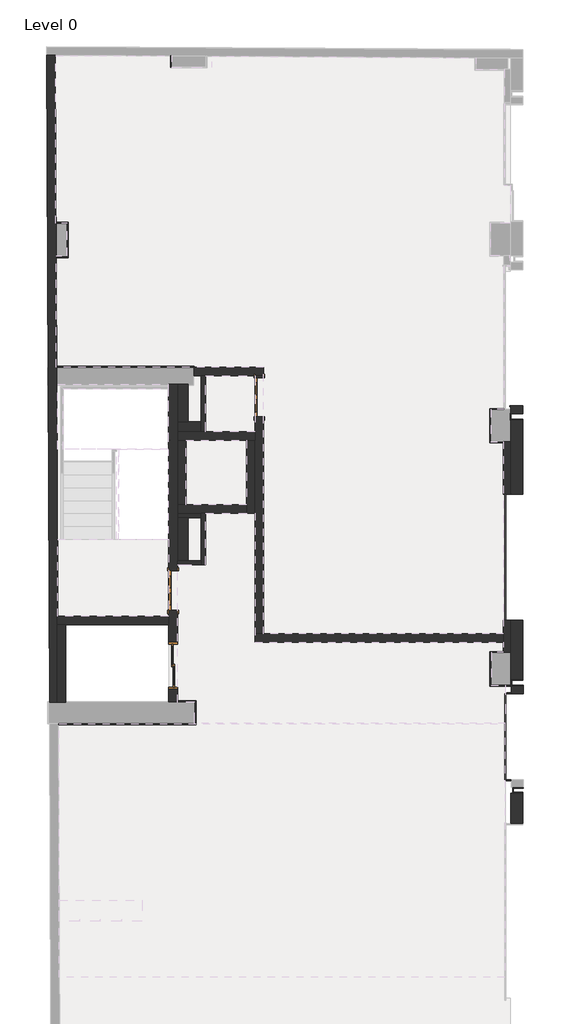
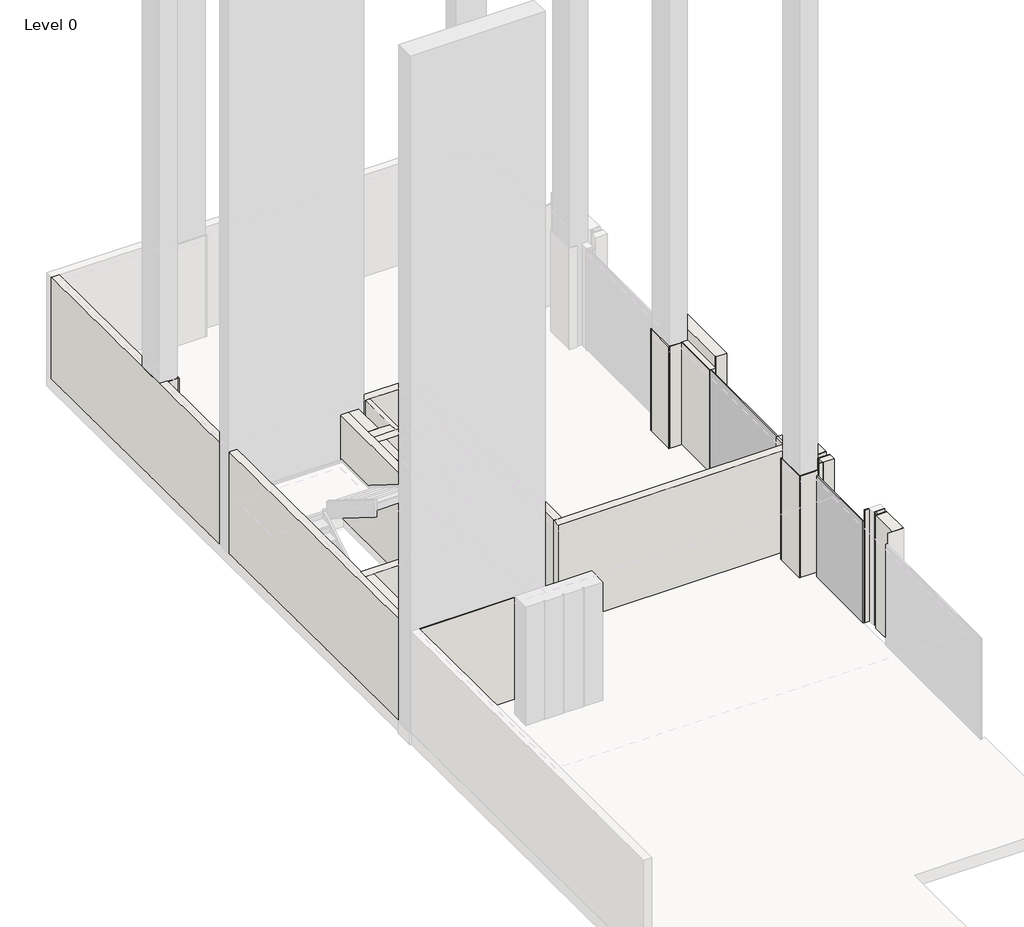
# One storey, part 2 of 3: 53 walls, 3 doors, 2 plates.
"""IFC4 building model written with IfcOpenShell, lengths in millimetres."""

import ifcopenshell
import ifcopenshell.guid

model = None  # the IFC model being written
_history = None  # IfcOwnerHistory: only IFC2X3 demands one
_inside = {}  # id of a spatial element -> (the spatial element, [elements in it])
_under = {}  # id of a project, library or spatial element -> (it, [spatial elements below it])
_declared = {}  # id of a project -> (the project, [libraries it declares])
_typed = {}  # id of a type object -> (the type object, [elements of that type])
_made_of = {}  # id of a material, layer set ... -> (it, [elements and type objects made of it])


def new_model(schema):
    """Start an empty IFC model of exactly this schema.

    Asked for "IFC4X3", IfcOpenShell would pick the latest addendum, in which some entities
    have other attributes; the version numbers below select the first issue.
    IFC2X3 requires an IfcOwnerHistory on every rooted entity: one is made here for all.
    """
    global model, _history
    if schema == "IFC4X3":
        model = ifcopenshell.file(schema_version=(4, 3, 0, 0))
    else:
        model = ifcopenshell.file(schema=schema)
    _inside.clear()
    _under.clear()
    _declared.clear()
    _typed.clear()
    _made_of.clear()
    _history = None
    if model.schema == "IFC2X3":
        org = make("IfcOrganization", Name="unknown")
        user = make(
            "IfcPersonAndOrganization",
            ThePerson=make("IfcPerson", FamilyName="unknown"),
            TheOrganization=org,
        )
        app = make(
            "IfcApplication",
            ApplicationDeveloper=org,
            Version="unknown",
            ApplicationFullName="unknown",
            ApplicationIdentifier="unknown",
        )
        _history = make(
            "IfcOwnerHistory",
            OwningUser=user,
            OwningApplication=app,
            ChangeAction="ADDED",
            CreationDate=0,
        )
    return model


def make(cls, **values):
    """One entity of the class cls with the attributes given. An attribute that is None is left unset."""
    return model.create_entity(
        cls, **{name: value for name, value in values.items() if value is not None}
    )


def rooted(cls, **values):
    """An entity with a GlobalId (a new one), such as an element, a storey or a relation."""
    return make(cls, GlobalId=ifcopenshell.guid.new(), OwnerHistory=_history, **values)


def si_unit(unit_type, name, prefix=None):
    """IfcSIUnit, for example si_unit("LENGTHUNIT", "METRE", prefix="MILLI")."""
    return make("IfcSIUnit", UnitType=unit_type, Prefix=prefix, Name=name)


def assignment(units):
    """IfcUnitAssignment: the units of a project."""
    return None if units is None else make("IfcUnitAssignment", Units=units)


def point(xyz):
    """IfcCartesianPoint."""
    return None if xyz is None else make("IfcCartesianPoint", Coordinates=xyz)


def direction(xyz):
    """IfcDirection."""
    return None if xyz is None else make("IfcDirection", DirectionRatios=xyz)


def frame(location, z_axis=None, x_axis=None):
    """IfcAxis2Placement3D, a coordinate frame: its origin and axes. An axis left out is left unset."""
    return make(
        "IfcAxis2Placement3D",
        Location=point(location),
        Axis=direction(z_axis),
        RefDirection=direction(x_axis),
    )


def origin():
    """The frame at (0, 0, 0) with its axes left unset."""
    return frame((0.0, 0.0, 0.0))


def origin_with_axes():
    """The frame at (0, 0, 0) with the z axis (0, 0, 1) and the x axis (1, 0, 0) written out."""
    return frame((0.0, 0.0, 0.0), z_axis=(0.0, 0.0, 1.0), x_axis=(1.0, 0.0, 0.0))


def place(relative_to, where):
    """IfcLocalPlacement: puts the frame where relative to a parent placement (None: the world)."""
    return make(
        "IfcLocalPlacement", PlacementRelTo=relative_to, RelativePlacement=where
    )


def context(
    kind, dimensions, precision=None, world=None, true_north=None, identifier=None
):
    """IfcGeometricRepresentationContext, for example the 3D "Model" context."""
    return make(
        "IfcGeometricRepresentationContext",
        ContextIdentifier=identifier,
        ContextType=kind,
        CoordinateSpaceDimension=dimensions,
        Precision=precision,
        WorldCoordinateSystem=world,
        TrueNorth=true_north,
    )


def project(units=None, contexts=None):
    """IfcProject with its units and contexts."""
    return rooted(
        "IfcProject",
        Name="project",
        RepresentationContexts=contexts,
        UnitsInContext=assignment(units),
    )


def spatial(cls, under=None, at=None, **own):
    """A site, building, storey or space (cls), placed at a placement, below another one or the project."""
    s = rooted(cls, ObjectPlacement=at, **own)
    if under is not None:
        _under.setdefault(under.id(), (under, []))[1].append(s)
    return s


def polyline(points):
    """IfcPolyline through the points."""
    return make("IfcPolyline", Points=[point(p) for p in points])


def outline(outer, holes=None, kind="AREA"):
    """IfcArbitraryClosedProfileDef: a profile drawn as a closed curve; with holes, ...WithVoids."""
    if holes is None:
        return make("IfcArbitraryClosedProfileDef", ProfileType=kind, OuterCurve=outer)
    return make(
        "IfcArbitraryProfileDefWithVoids",
        ProfileType=kind,
        OuterCurve=outer,
        InnerCurves=holes,
    )


def extrude(swept, where, along, depth):
    """IfcExtrudedAreaSolid: the profile swept, set in the frame where, extruded along a direction by depth."""
    return make(
        "IfcExtrudedAreaSolid",
        SweptArea=swept,
        Position=where,
        ExtrudedDirection=direction(along),
        Depth=depth,
    )


def faces_of(points, faces, orient=None, outer=None):
    """IfcFace entities. A face is a list of loops; a loop is a list of indices into points, from 0.

    orient and outer hold one flag for each loop. By default every Orientation is true, the
    first loop of a face is its IfcFaceOuterBound and the others are IfcFaceBound.
    """
    made = []
    for i, loops in enumerate(faces):
        bounds = []
        for j, loop in enumerate(loops):
            is_outer = j == 0 if outer is None else outer[i][j]
            bounds.append(
                make(
                    "IfcFaceOuterBound" if is_outer else "IfcFaceBound",
                    Bound=make("IfcPolyLoop", Polygon=[points[k] for k in loop]),
                    Orientation=True if orient is None else orient[i][j],
                )
            )
        made.append(make("IfcFace", Bounds=bounds))
    return made


def faceted_brep(points, faces, orient=None, outer=None, voids=None):
    """IfcFacetedBrep: a solid bounded by flat faces; with voids (closed shells), ...WithVoids."""
    shared = [point(p) for p in points]
    hull = make("IfcClosedShell", CfsFaces=faces_of(shared, faces, orient, outer))
    if voids is None:
        return make("IfcFacetedBrep", Outer=hull)
    return make(
        "IfcFacetedBrepWithVoids",
        Outer=hull,
        Voids=[
            make(cls, CfsFaces=faces_of(shared, fs, o, b)) for cls, fs, o, b in voids
        ],
    )


def shape(context_of_items, identifier, shape_type, items):
    """IfcShapeRepresentation: the items that make up one representation, for example the "Body"."""
    return make(
        "IfcShapeRepresentation",
        ContextOfItems=context_of_items,
        RepresentationIdentifier=identifier,
        RepresentationType=shape_type,
        Items=items,
    )


def source(mapping_origin, context_of_items, identifier, shape_type, items):
    """IfcRepresentationMap: a shape defined once, which mapped items show again and again."""
    return make(
        "IfcRepresentationMap",
        MappingOrigin=mapping_origin,
        MappedRepresentation=shape(context_of_items, identifier, shape_type, items),
    )


def transform(
    local_origin,
    x_axis=None,
    y_axis=None,
    z_axis=None,
    scale=None,
    scale2=None,
    scale3=None,
    uniform=True,
):
    """IfcCartesianTransformationOperator3D, or its non-uniform kind. x_axis, y_axis, z_axis: its Axis1, 2, 3."""
    if uniform:
        return make(
            "IfcCartesianTransformationOperator3D",
            Axis1=direction(x_axis),
            Axis2=direction(y_axis),
            LocalOrigin=point(local_origin),
            Scale=scale,
            Axis3=direction(z_axis),
        )
    return make(
        "IfcCartesianTransformationOperator3DnonUniform",
        Axis1=direction(x_axis),
        Axis2=direction(y_axis),
        LocalOrigin=point(local_origin),
        Scale=scale,
        Axis3=direction(z_axis),
        Scale2=scale2,
        Scale3=scale3,
    )


def mapped(mapping_source, mapping_target):
    """IfcMappedItem: shows the shape of a source again, moved by a transform."""
    return make(
        "IfcMappedItem", MappingSource=mapping_source, MappingTarget=mapping_target
    )


def made_of(thing, what):
    """Note that an element or type object is made of a material, layer set ...; save() writes the relation."""
    if what is not None:
        _made_of.setdefault(what.id(), (what, []))[1].append(thing)
    return thing


def element(
    cls,
    number,
    at=None,
    inside=None,
    cuts=None,
    type_object=None,
    material=None,
    context=None,
    identifier="Body",
    shape_type=None,
    held_by="IfcProductDefinitionShape",
    body=None,
    shapes=None,
    **own,
):
    """One element of the class cls, such as IfcWall. Its Tag is "e" and its number.

    at: its placement. inside: the storey or other place that contains it. cuts: it is an
    opening in that element (IfcRelVoidsElement). A single representation is given by context,
    identifier, shape_type and body (its items); several are given by shapes. held_by: the class
    of the entity that holds the representations. save() writes the other relations.
    """
    e = rooted(cls, Tag="e%d" % number, ObjectPlacement=at, **own)
    if body is not None:
        shapes = [shape(context, identifier, shape_type, body)]
    if shapes is not None:
        e.Representation = make(held_by, Representations=shapes)
    if inside is not None:
        _inside.setdefault(inside.id(), (inside, []))[1].append(e)
    if cuts is not None:
        rooted(
            "IfcRelVoidsElement", RelatingBuildingElement=cuts, RelatedOpeningElement=e
        )
    if type_object is not None:
        _typed.setdefault(type_object.id(), (type_object, []))[1].append(e)
    return made_of(e, material)


def aggregate(whole, parts):
    """IfcRelAggregates: a whole, such as a stair, and the parts it consists of."""
    return rooted("IfcRelAggregates", RelatingObject=whole, RelatedObjects=parts)


def save(model, path):
    """Write the relations noted so far, then the file.

    IfcRelAggregates (storeys below a building ...), IfcRelContainedInSpatialStructure (elements
    in a storey), IfcRelDefinesByType, IfcRelAssociatesMaterial and IfcRelDeclares: one each for
    every whole, place, type object, material and project.
    """
    for whole, parts in _under.values():
        aggregate(whole, parts)
    for where, things in _inside.values():
        rooted(
            "IfcRelContainedInSpatialStructure",
            RelatedElements=things,
            RelatingStructure=where,
        )
    for kind, things in _typed.values():
        rooted("IfcRelDefinesByType", RelatedObjects=things, RelatingType=kind)
    for what, things in _made_of.values():
        rooted("IfcRelAssociatesMaterial", RelatedObjects=things, RelatingMaterial=what)
    for by, libraries in _declared.values():
        rooted("IfcRelDeclares", RelatingContext=by, RelatedDefinitions=libraries)
    model.write(path)


def m_single_panel_4_0915_x_2134mm_bcbde638(model_context):
    return source(origin(), model_context, "Body", "SweptSolid", [
        extrude(outline(polyline([(0.0, -533.5), (0.0, -457.5), (2134.0, -457.5), (2134.0, 457.5), (0.0, 457.5), (0.0, 533.5), (2210.0, 533.5), (2210.0, -533.5), (0.0, -533.5)])), frame((0.0, -125.0, 0.0), z_axis=(0.0, 1.0, 0.0), x_axis=(0.0, 0.0, 1.0)), (0.0, 0.0, 1.0), 25.0),
        extrude(outline(polyline([(0.0, 533.5), (2210.0, 533.5), (2210.0, -533.5), (0.0, -533.5), (0.0, -457.5), (2134.0, -457.5), (2134.0, 457.5), (0.0, 457.5), (0.0, 533.5)])), frame((0.0, 100.4, 0.0), z_axis=(0.0, 1.0, 0.0), x_axis=(0.0, 0.0, 1.0)), (0.0, 0.0, 1.0), 25.0),
        extrude(outline(polyline([(-62.5, 61.7), (-332.5, 61.7), (-332.5, 87.3), (-62.5, 87.3), (-62.5, 61.7)])), frame((0.0, 0.0, 1805.4), z_axis=(0.0, 0.0, 1.0), x_axis=(1.0, 0.0, 0.0)), (0.0, 0.0, 1.0), 228.6),
        extrude(outline(polyline([(332.5, 61.7), (62.5, 61.7), (62.5, 87.3), (332.5, 87.3), (332.5, 61.7)])), frame((0.0, 0.0, 1805.4), z_axis=(0.0, 0.0, 1.0), x_axis=(1.0, 0.0, 0.0)), (0.0, 0.0, 1.0), 228.6),
        extrude(outline(polyline([(-62.5, 61.7), (-332.5, 61.7), (-332.5, 87.3), (-62.5, 87.3), (-62.5, 61.7)])), frame((0.0, 0.0, 1041.4), z_axis=(0.0, 0.0, 1.0), x_axis=(1.0, 0.0, 0.0)), (0.0, 0.0, 1.0), 664.0),
        extrude(outline(polyline([(332.5, 61.7), (62.5, 61.7), (62.5, 87.3), (332.5, 87.3), (332.5, 61.7)])), frame((0.0, 0.0, 1041.4), z_axis=(0.0, 0.0, 1.0), x_axis=(1.0, 0.0, 0.0)), (0.0, 0.0, 1.0), 664.0),
        extrude(outline(polyline([(-62.5, 61.7), (-332.5, 61.7), (-332.5, 87.3), (-62.5, 87.3), (-62.5, 61.7)])), frame((0.0, 0.0, 175.0), z_axis=(0.0, 0.0, 1.0), x_axis=(1.0, 0.0, 0.0)), (0.0, 0.0, 1.0), 691.4),
        extrude(outline(polyline([(332.5, 61.7), (62.5, 61.7), (62.5, 87.3), (332.5, 87.3), (332.5, 61.7)])), frame((0.0, 0.0, 175.0), z_axis=(0.0, 0.0, 1.0), x_axis=(1.0, 0.0, 0.0)), (0.0, 0.0, 1.0), 691.4),
        extrude(outline(polyline([(2134.0, 457.5), (2134.0, -457.5), (0.0, -457.5), (0.0, 457.5), (2134.0, 457.5)]), holes=[polyline([(2034.0, -62.5), (1805.4, -62.5), (1805.4, -332.5), (2034.0, -332.5), (2034.0, -62.5)]), polyline([(2034.0, 332.5), (1805.4, 332.5), (1805.4, 62.5), (2034.0, 62.5), (2034.0, 332.5)]), polyline([(1705.4, -62.5), (1041.4, -62.5), (1041.4, -332.5), (1705.4, -332.5), (1705.4, -62.5)]), polyline([(1705.4, 332.5), (1041.4, 332.5), (1041.4, 62.5), (1705.4, 62.5), (1705.4, 332.5)]), polyline([(866.4, -62.5), (175.0, -62.5), (175.0, -332.5), (866.4, -332.5), (866.4, -62.5)]), polyline([(866.4, 332.5), (175.0, 332.5), (175.0, 62.5), (866.4, 62.5), (866.4, 332.5)])]), frame((0.0, 49.0, 0.0), z_axis=(0.0, 1.0, 0.0), x_axis=(0.0, 0.0, 1.0)), (0.0, 0.0, 1.0), 51.0),
    ])


def m_single_panel_4_0915_x_2134mm_54fff9dd(model_context):
    return source(origin(), model_context, "Body", "SweptSolid", [
        extrude(outline(polyline([(0.0, -533.5), (0.0, -457.5), (2134.0, -457.5), (2134.0, 457.5), (0.0, 457.5), (0.0, 533.5), (2210.0, 533.5), (2210.0, -533.5), (0.0, -533.5)])), frame((0.0, 100.0, 0.0), z_axis=(0.0, 1.0, 0.0), x_axis=(0.0, 0.0, 1.0)), (0.0, 0.0, 1.0), 25.0),
        extrude(outline(polyline([(0.0, 533.5), (2210.0, 533.5), (2210.0, -533.5), (0.0, -533.5), (0.0, -457.5), (2134.0, -457.5), (2134.0, 457.5), (0.0, 457.5), (0.0, 533.5)])), frame((0.0, -125.4, 0.0), z_axis=(0.0, 1.0, 0.0), x_axis=(0.0, 0.0, 1.0)), (0.0, 0.0, 1.0), 25.0),
        extrude(outline(polyline([(-62.5, -61.7), (-62.5, -87.3), (-332.5, -87.3), (-332.5, -61.7), (-62.5, -61.7)])), frame((0.0, 0.0, 1805.4), z_axis=(0.0, 0.0, 1.0), x_axis=(1.0, 0.0, 0.0)), (0.0, 0.0, 1.0), 228.6),
        extrude(outline(polyline([(332.5, -61.7), (332.5, -87.3), (62.5, -87.3), (62.5, -61.7), (332.5, -61.7)])), frame((0.0, 0.0, 1805.4), z_axis=(0.0, 0.0, 1.0), x_axis=(1.0, 0.0, 0.0)), (0.0, 0.0, 1.0), 228.6),
        extrude(outline(polyline([(-62.5, -61.7), (-62.5, -87.3), (-332.5, -87.3), (-332.5, -61.7), (-62.5, -61.7)])), frame((0.0, 0.0, 1041.4), z_axis=(0.0, 0.0, 1.0), x_axis=(1.0, 0.0, 0.0)), (0.0, 0.0, 1.0), 664.0),
        extrude(outline(polyline([(332.5, -61.7), (332.5, -87.3), (62.5, -87.3), (62.5, -61.7), (332.5, -61.7)])), frame((0.0, 0.0, 1041.4), z_axis=(0.0, 0.0, 1.0), x_axis=(1.0, 0.0, 0.0)), (0.0, 0.0, 1.0), 664.0),
        extrude(outline(polyline([(-62.5, -61.7), (-62.5, -87.3), (-332.5, -87.3), (-332.5, -61.7), (-62.5, -61.7)])), frame((0.0, 0.0, 175.0), z_axis=(0.0, 0.0, 1.0), x_axis=(1.0, 0.0, 0.0)), (0.0, 0.0, 1.0), 691.4),
        extrude(outline(polyline([(332.5, -61.7), (332.5, -87.3), (62.5, -87.3), (62.5, -61.7), (332.5, -61.7)])), frame((0.0, 0.0, 175.0), z_axis=(0.0, 0.0, 1.0), x_axis=(1.0, 0.0, 0.0)), (0.0, 0.0, 1.0), 691.4),
        extrude(outline(polyline([(2134.0, 457.5), (2134.0, -457.5), (0.0, -457.5), (0.0, 457.5), (2134.0, 457.5)]), holes=[polyline([(2034.0, -62.5), (1805.4, -62.5), (1805.4, -332.5), (2034.0, -332.5), (2034.0, -62.5)]), polyline([(2034.0, 332.5), (1805.4, 332.5), (1805.4, 62.5), (2034.0, 62.5), (2034.0, 332.5)]), polyline([(1705.4, -62.5), (1041.4, -62.5), (1041.4, -332.5), (1705.4, -332.5), (1705.4, -62.5)]), polyline([(1705.4, 332.5), (1041.4, 332.5), (1041.4, 62.5), (1705.4, 62.5), (1705.4, 332.5)]), polyline([(866.4, -62.5), (175.0, -62.5), (175.0, -332.5), (866.4, -332.5), (866.4, -62.5)]), polyline([(866.4, 332.5), (175.0, 332.5), (175.0, 62.5), (866.4, 62.5), (866.4, 332.5)])]), frame((0.0, -100.0, 0.0), z_axis=(0.0, 1.0, 0.0), x_axis=(0.0, 0.0, 1.0)), (0.0, 0.0, 1.0), 51.0),
    ])


def sliding_door_2_panel_aus_type_1_bba8a9fd(model_context):
    return source(origin(), model_context, "Body", "SweptSolid", [
        extrude(outline(polyline([(530.7580012, 26.6666667), (530.7580012, 13.3333333), (113.2580012, 13.3333333), (113.2580012, 26.6666667), (530.7580012, 26.6666667)])), frame((0.0, 0.0, 55.0), z_axis=(0.0, 0.0, 1.0), x_axis=(1.0, 0.0, 0.0)), (0.0, 0.0, 1.0), 2033.0),
        extrude(outline(polyline([(0.0, 585.7580012), (2143.0, 585.7580012), (2143.0, 58.2580012), (0.0, 58.2580012), (0.0, 585.7580012)]), holes=[polyline([(55.0, 530.7580012), (55.0, 113.2580012), (2088.0, 113.2580012), (2088.0, 530.7580012), (55.0, 530.7580012)])]), frame((0.0, 0.0, 0.0), z_axis=(0.0, 1.0, 0.0), x_axis=(0.0, 0.0, 1.0)), (0.0, 0.0, 1.0), 40.0),
        extrude(outline(polyline([(58.2580012, -13.3333333), (58.2580012, -26.6666667), (-359.2419988, -26.6666667), (-359.2419988, -13.3333333), (58.2580012, -13.3333333)])), frame((0.0, 0.0, 55.0), z_axis=(0.0, 0.0, 1.0), x_axis=(1.0, 0.0, 0.0)), (0.0, 0.0, 1.0), 2033.0),
        extrude(outline(polyline([(0.0, 113.2580012), (2143.0, 113.2580012), (2143.0, -414.2419988), (0.0, -414.2419988), (0.0, 113.2580012)]), holes=[polyline([(55.0, 58.2580012), (55.0, -359.2419988), (2088.0, -359.2419988), (2088.0, 58.2580012), (55.0, 58.2580012)])]), frame((0.0, -40.0, 0.0), z_axis=(0.0, 1.0, 0.0), x_axis=(0.0, 0.0, 1.0)), (0.0, 0.0, 1.0), 40.0),
        extrude(outline(polyline([(0.0, -454.2419988), (0.0, -414.2419988), (2143.0, -414.2419988), (2143.0, 585.7580012), (0.0, 585.7580012), (0.0, 625.7580012), (2183.0, 625.7580012), (2183.0, -454.2419988), (0.0, -454.2419988)])), frame((0.0, -100.0, 0.0), z_axis=(0.0, 1.0, 0.0), x_axis=(0.0, 0.0, 1.0)), (0.0, 0.0, 1.0), 200.0),
    ])


def system_panel_glazed_f1305f24(model_context):
    return source(origin(), model_context, "Body", "SweptSolid", [
        extrude(outline(polyline([(1000.0, 24.5), (-1000.0, 24.5), (-1000.0, 49.5), (1000.0, 49.5), (1000.0, 24.5)])), origin_with_axes(), (0.0, 0.0, 1.0), 2700.0),
    ])


def system_panel_glazed_0214ed62(model_context):
    return source(origin(), model_context, "Body", "SweptSolid", [
        extrude(outline(polyline([(1464.8391892, 24.5), (-1464.8391892, 24.5), (-1464.8391892, 49.5), (1464.8391892, 49.5), (1464.8391892, 24.5)])), origin_with_axes(), (0.0, 0.0, 1.0), 2700.0),
    ])


model = new_model("IFC4")

# Units and contexts
model_context = context("Model", 3, world=origin())
ifc_project = project(units=[si_unit("LENGTHUNIT", "METRE", prefix="MILLI")], contexts=[model_context])

# Site, building, storey
site = spatial("IfcSite", under=ifc_project)
building = spatial("IfcBuilding", under=site)
storey = spatial("IfcBuildingStorey", under=building, Name="Level 0", Elevation=0.0)

# Doors
placement = place(None, origin())
m_single_panel_4_0915_x_2134mm_shape = m_single_panel_4_0915_x_2134mm_bcbde638(model_context)
element("IfcDoor", 1, ObjectType="M_Single-Panel 4 : 0915 x 2134mm", at=placement, inside=storey, context=model_context, shape_type="MappedRepresentation", body=[
    mapped(m_single_panel_4_0915_x_2134mm_shape, transform((4961.1553674, -8166.4194397, 0.0), x_axis=(0.0, 1.0, 0.0), y_axis=(-1.0, 0.0, 0.0), z_axis=(0.0, 0.0, 1.0))),
])
m_single_panel_4_0915_x_2134mm_2_shape = m_single_panel_4_0915_x_2134mm_54fff9dd(model_context)
element("IfcDoor", 2, ObjectType="M_Single-Panel 4 : 0915 x 2134mm", at=placement, inside=storey, context=model_context, shape_type="MappedRepresentation", body=[
    mapped(m_single_panel_4_0915_x_2134mm_2_shape, transform((2949.9138059, -12668.9194397, 0.0), x_axis=(0.0, -1.0, 0.0), y_axis=(1.0, 0.0, 0.0), z_axis=(0.0, 0.0, 1.0))),
])
sliding_door_2_panel_aus_type_1_shape = sliding_door_2_panel_aus_type_1_bba8a9fd(model_context)
element("IfcDoor", 3, ObjectType="Sliding Door - 2 Panel (AUS) : Type 1", at=placement, inside=storey, context=model_context, shape_type="MappedRepresentation", body=[
    mapped(sliding_door_2_panel_aus_type_1_shape, transform((2949.9138059, -14329.6165728, 0.0), x_axis=(0.0, -1.0, 0.0), y_axis=(1.0, 0.0, 0.0), z_axis=(0.0, 0.0, 1.0))),
])

# Plates
system_panel_glazed_shape = system_panel_glazed_f1305f24(model_context)
element("IfcPlate", 4, ObjectType="System Panel : Glazed", at=placement, inside=storey, context=model_context, shape_type="MappedRepresentation", body=[
    mapped(system_panel_glazed_shape, transform((10654.8911307, -16071.5423852, 0.0), x_axis=(0.0, -1.0, 0.0), y_axis=(1.0, 0.0, 0.0), z_axis=(0.0, 0.0, 1.0))),
])
system_panel_glazed_2_shape = system_panel_glazed_0214ed62(model_context)
element("IfcPlate", 5, ObjectType="System Panel : Glazed", at=placement, inside=storey, context=model_context, shape_type="MappedRepresentation", body=[
    mapped(system_panel_glazed_2_shape, transform((10652.3911981, -11889.2725661, 0.0), x_axis=(0.0, -1.0, 0.0), y_axis=(1.0, 0.0, 0.0), z_axis=(0.0, 0.0, 1.0))),
])

# Walls
element("IfcWall", 6, at=placement, inside=storey, context=model_context, shape_type="Brep", body=[
    faceted_brep([(3433.6345593, -7668.9194397, 0.0), (3602.1808621, -7668.9194397, 0.0), (3702.1808621, -7668.9194397, 0.0), (4861.1553674, -7668.9194397, 0.0), (5061.1553674, -7668.9194397, 0.0), (5061.1553674, -7668.9194397, 2700.0), (4861.1553674, -7668.9194397, 2700.0), (3702.1808621, -7668.9194397, 2700.0), (3602.1808621, -7668.9194397, 2700.0), (3433.6345593, -7668.9194397, 2700.0), (3433.6345593, -7468.9194397, 0.0), (3433.6345593, -7468.9194397, 2700.0), (5061.1553674, -7468.9194397, 2700.0), (5061.1553674, -7468.9194397, 0.0)], [[[0, 1, 2, 3, 4, 5, 6, 7, 8, 9]], [[10, 11, 12, 13]], [[4, 3, 2, 1, 0, 10, 13]], [[0, 9, 11, 10]], [[5, 4, 13, 12]], [[9, 8, 7, 6, 5, 12, 11]]]),
])
element("IfcWall", 7, at=placement, inside=storey, context=model_context, shape_type="Brep", body=[
    faceted_brep([(4861.1553674, -8970.4687108, 0.0), (3702.1808621, -8970.4687108, 0.0), (3602.1808621, -8970.4687108, 0.0), (3049.9138059, -8970.4687108, 0.0), (3049.9138059, -8970.4687108, 2700.0), (3602.1808621, -8970.4687108, 2700.0), (3702.1808621, -8970.4687108, 2700.0), (4861.1553674, -8970.4687108, 2700.0), (4861.1553674, -9170.4687108, 0.0), (4861.1553674, -9170.4687108, 2700.0), (4661.1553674, -9170.4687108, 2700.0), (3249.9138059, -9170.4687108, 2700.0), (3049.9138059, -9170.4687108, 2700.0), (3049.9138059, -9170.4687108, 0.0), (3249.9138059, -9170.4687108, 0.0), (4661.1553674, -9170.4687108, 0.0)], [[[0, 1, 2, 3, 4, 5, 6, 7]], [[8, 9, 10, 11, 12, 13, 14, 15]], [[3, 2, 1, 0, 8, 15, 14, 13]], [[0, 7, 9, 8]], [[4, 3, 13, 12]], [[7, 6, 5, 4, 12, 11, 10, 9]]]),
])
element("IfcWall", 8, at=placement, inside=storey, context=model_context, shape_type="Brep", body=[
    faceted_brep([(4861.1553674, -10868.9194397, 0.0), (4861.1553674, -9170.4687108, 0.0), (4861.1553674, -9170.4687108, 2700.0), (4861.1553674, -10868.9194397, 2700.0), (4661.1553674, -10868.9194397, 0.0), (4661.1553674, -10868.9194397, 2700.0), (4661.1553674, -10668.9194397, 2700.0), (4661.1553674, -9170.4687108, 2700.0), (4661.1553674, -9170.4687108, 0.0), (4661.1553674, -10668.9194397, 0.0)], [[[0, 1, 2, 3]], [[4, 5, 6, 7, 8, 9]], [[1, 0, 4, 9, 8]], [[2, 1, 8, 7]], [[0, 3, 5, 4]], [[3, 2, 7, 6, 5]]]),
])
element("IfcWall", 9, at=placement, inside=storey, context=model_context, shape_type="Brep", body=[
    faceted_brep([(3049.9138059, -10868.9194397, 0.0), (3601.4335795, -10868.9194397, 0.0), (3701.4335795, -10868.9194397, 0.0), (4661.1553674, -10868.9194397, 0.0), (4661.1553674, -10868.9194397, 2700.0), (3701.4335795, -10868.9194397, 2700.0), (3601.4335795, -10868.9194397, 2700.0), (3049.9138059, -10868.9194397, 2700.0), (3049.9138059, -10668.9194397, 0.0), (3049.9138059, -10668.9194397, 2700.0), (3249.9138059, -10668.9194397, 2700.0), (4661.1553674, -10668.9194397, 2700.0), (4661.1553674, -10668.9194397, 0.0), (3249.9138059, -10668.9194397, 0.0)], [[[0, 1, 2, 3, 4, 5, 6, 7]], [[8, 9, 10, 11, 12, 13]], [[3, 2, 1, 0, 8, 13, 12]], [[4, 3, 12, 11]], [[0, 7, 9, 8]], [[7, 6, 5, 4, 11, 10, 9]]]),
])
element("IfcWall", 10, at=placement, inside=storey, context=model_context, shape_type="SweptSolid", body=[
    extrude(outline(polyline([(3049.9138059, -10668.9194397), (3049.9138059, -9170.4687108), (3249.9138059, -9170.4687108), (3249.9138059, -10668.9194397), (3049.9138059, -10668.9194397)])), origin_with_axes(), (0.0, 0.0, 1.0), 2700.0),
])
element("IfcWall", 11, at=placement, inside=storey, context=model_context, shape_type="Brep", body=[
    faceted_brep([(3049.9138059, -7868.9194397, 0.0), (3049.9138059, -7868.9194397, 2700.0), (3049.9138059, -11968.9194397, 2700.0), (3049.9138059, -12068.9194397, 2700.0), (3049.9138059, -15235.3745739, 2700.0), (3049.9138059, -15255.3745739, 2700.0), (3049.9138059, -15255.3745739, 0.0), (3049.9138059, -15235.3745739, 0.0), (3049.9138059, -14955.3745739, 0.0), (3049.9138059, -14955.3745739, 2183.0), (3049.9138059, -13875.3745739, 2183.0), (3049.9138059, -13875.3745739, 0.0), (3049.9138059, -13126.4194397, 0.0), (3049.9138059, -13126.4194397, 2134.0), (3049.9138059, -12211.4194397, 2134.0), (3049.9138059, -12211.4194397, 0.0), (3049.9138059, -12068.9194397, 0.0), (3049.9138059, -11968.9194397, 0.0), (2849.9138059, -7868.9194397, 2700.0), (2849.9138059, -7868.9194397, 0.0), (2849.9138059, -12211.4194397, 0.0), (2849.9138059, -12211.4194397, 2134.0), (2849.9138059, -13126.4194397, 2134.0), (2849.9138059, -13126.4194397, 0.0), (2849.9138059, -13268.9194397, 0.0), (2849.9138059, -13468.9194397, 0.0), (2849.9138059, -13875.3745739, 0.0), (2849.9138059, -13875.3745739, 2183.0), (2849.9138059, -14955.3745739, 2183.0), (2849.9138059, -14955.3745739, 0.0), (2849.9138059, -15255.3745739, 0.0), (2849.9138059, -15255.3745739, 2700.0), (2849.9138059, -13468.9194397, 2700.0), (2849.9138059, -13268.9194397, 2700.0)], [[[0, 1, 2, 3, 4, 5, 6, 7, 8, 9, 10, 11, 12, 13, 14, 15, 16, 17]], [[18, 19, 20, 21, 22, 23, 24, 25, 26, 27, 28, 29, 30, 31, 32, 33]], [[19, 0, 17, 16, 15, 20]], [[23, 12, 11, 26, 25, 24]], [[6, 30, 29, 8, 7]], [[1, 0, 19, 18]], [[13, 12, 23, 22]], [[14, 13, 22, 21]], [[15, 14, 21, 20]], [[5, 4, 3, 2, 1, 18, 33, 32, 31]], [[6, 5, 31, 30]], [[10, 27, 26, 11]], [[27, 10, 9, 28]], [[28, 9, 8, 29]]]),
])
element("IfcWall", 12, at=placement, inside=storey, context=model_context, shape_type="Brep", body=[
    faceted_brep([(249.9138059, -13468.9194397, 0.0), (449.9138059, -13468.9194397, 0.0), (2849.9138059, -13468.9194397, 0.0), (2849.9138059, -13468.9194397, 2700.0), (449.9138059, -13468.9194397, 2700.0), (249.9138059, -13468.9194397, 2700.0), (249.9138059, -13268.9194397, 0.0), (249.9138059, -13268.9194397, 2700.0), (2849.9138059, -13268.9194397, 2700.0), (2849.9138059, -13268.9194397, 0.0)], [[[0, 1, 2, 3, 4, 5]], [[6, 7, 8, 9]], [[2, 1, 0, 6, 9]], [[3, 2, 9, 8]], [[0, 5, 7, 6]], [[5, 4, 3, 8, 7]]]),
])
element("IfcWall", 13, at=placement, inside=storey, context=model_context, shape_type="SweptSolid", body=[
    extrude(outline(polyline([(249.9138059, -15268.9194397), (249.9138059, -13468.9194397), (449.9138059, -13468.9194397), (449.9138059, -15268.9194397), (249.9138059, -15268.9194397)])), origin_with_axes(), (0.0, 0.0, 1.0), 2700.0),
])
element("IfcWall", 14, at=placement, inside=storey, context=model_context, shape_type="Brep", body=[
    faceted_brep([(10819.0889062, -8544.4333769, 0.0), (10804.0893632, -8544.4333769, 0.0), (10804.0893632, -8544.4333769, 3000.0), (10819.0889062, -8544.4333769, 3000.0), (10819.0889062, -8564.4333769, 0.0), (10819.0889062, -8564.4333769, 3000.0), (10804.0893632, -8564.4333769, 3000.0), (10804.0893632, -8564.4333769, 0.0), (10819.0889062, -8554.4333769, 0.0), (10819.0889062, -8554.4333769, 3000.0)], [[[0, 1, 2, 3]], [[4, 5, 6, 7]], [[1, 0, 8, 4, 7]], [[3, 2, 6, 5, 9]], [[0, 3, 9, 5, 4, 8]], [[2, 1, 7, 6]]]),
])
element("IfcWall", 15, at=placement, inside=storey, context=model_context, shape_type="Brep", body=[
    faceted_brep([(10804.0893632, -8564.4333769, 0.0), (10804.0893632, -8704.4333769, 0.0), (10804.0893632, -8704.4333769, 3000.0), (10804.0893632, -8564.4333769, 3000.0), (10824.0893632, -8564.4333769, 0.0), (10824.0893632, -8564.4333769, 3000.0), (10824.0893632, -8684.4333769, 3000.0), (10824.0893632, -8704.4333769, 3000.0), (10824.0893632, -8704.4333769, 0.0), (10824.0893632, -8684.4333769, 0.0), (10819.0889062, -8564.4333769, 0.0), (10819.0889062, -8704.4333769, 0.0), (10819.0889062, -8704.4333769, 3000.0), (10819.0889062, -8564.4333769, 3000.0)], [[[0, 1, 2, 3]], [[4, 5, 6, 7, 8, 9]], [[1, 0, 10, 4, 9, 8, 11]], [[3, 2, 12, 7, 6, 5, 13]], [[0, 3, 13, 5, 4, 10]], [[2, 1, 11, 8, 7, 12]]]),
])
element("IfcWall", 16, at=placement, inside=storey, context=model_context, shape_type="SweptSolid", body=[
    extrude(outline(polyline([(11099.0889062, -8704.4333769), (10824.0893632, -8704.4333769), (10824.0893632, -8684.4333769), (11099.0889062, -8684.4333769), (11099.0889062, -8704.4333769)])), origin_with_axes(), (0.0, 0.0, 1.0), 3000.0),
])
element("IfcWall", 17, at=placement, inside=storey, context=model_context, shape_type="Brep", body=[
    faceted_brep([(11099.0889062, -14737.2975033, 0.0), (10819.0889062, -14737.2975033, 0.0), (10819.0889062, -14737.2975033, 3000.0), (11099.0889062, -14737.2975033, 3000.0), (11099.0889062, -14757.2975033, 0.0), (11099.0889062, -14757.2975033, 3000.0), (10839.0893632, -14757.2975033, 3000.0), (10819.0889062, -14757.2975033, 3000.0), (10819.0889062, -14757.2975033, 0.0), (10839.0893632, -14757.2975033, 0.0)], [[[0, 1, 2, 3]], [[4, 5, 6, 7, 8, 9]], [[1, 0, 4, 9, 8]], [[3, 2, 7, 6, 5]], [[0, 3, 5, 4]], [[2, 1, 8, 7]]]),
])
element("IfcWall", 18, at=placement, inside=storey, context=model_context, shape_type="Brep", body=[
    faceted_brep([(10819.0893632, -14757.2975033, 0.0), (10819.0893632, -14892.5423852, 0.0), (10819.0893632, -14892.5423852, 3000.0), (10819.0893632, -14757.2975033, 3000.0), (10839.0893632, -14757.2975033, 0.0), (10839.0893632, -14757.2975033, 3000.0), (10839.0893632, -14872.5423852, 3000.0), (10839.0893632, -14892.5423852, 3000.0), (10839.0893632, -14892.5423852, 0.0), (10839.0893632, -14872.5423852, 0.0), (10834.5328004, -14892.5423852, 0.0), (10834.5328004, -14892.5423852, 3000.0)], [[[0, 1, 2, 3]], [[4, 5, 6, 7, 8, 9]], [[1, 0, 4, 9, 8, 10]], [[3, 2, 11, 7, 6, 5]], [[2, 1, 10, 8, 7, 11]], [[0, 3, 5, 4]]]),
])
element("IfcWall", 19, at=placement, inside=storey, context=model_context, shape_type="SweptSolid", body=[
    extrude(outline(polyline([(11114.5328004, -14892.5423852), (10839.0893632, -14892.5423852), (10839.0893632, -14872.5423852), (11114.5328004, -14872.5423852), (11114.5328004, -14892.5423852)])), origin_with_axes(), (0.0, 0.0, 1.0), 3000.0),
])
element("IfcWall", 20, at=placement, inside=storey, context=model_context, shape_type="Brep", body=[
    faceted_brep([(11114.5328004, -17250.5423852, 0.0), (10864.5328004, -17250.5423852, 0.0), (10864.5328004, -17250.5423852, 3000.0), (11114.5328004, -17250.5423852, 3000.0), (11114.5328004, -17270.5423852, 0.0), (11114.5328004, -17270.5423852, 3000.0), (10884.5328004, -17270.5423852, 3000.0), (10864.5328004, -17270.5423852, 3000.0), (10864.5328004, -17270.5423852, 0.0), (10884.5328004, -17270.5423852, 0.0)], [[[0, 1, 2, 3]], [[4, 5, 6, 7, 8, 9]], [[1, 0, 4, 9, 8]], [[3, 2, 7, 6, 5]], [[0, 3, 5, 4]], [[2, 1, 8, 7]]]),
])
element("IfcWall", 21, at=placement, inside=storey, context=model_context, shape_type="Brep", body=[
    faceted_brep([(10864.5328004, -17270.5423852, 0.0), (10864.5328004, -17385.5423852, 0.0), (10864.5328004, -17385.5423852, 3000.0), (10864.5328004, -17270.5423852, 3000.0), (10884.5328004, -17270.5423852, 0.0), (10884.5328004, -17270.5423852, 3000.0), (10884.5328004, -17365.5423852, 3000.0), (10884.5328004, -17385.5423852, 3000.0), (10884.5328004, -17385.5423852, 0.0), (10884.5328004, -17365.5423852, 0.0)], [[[0, 1, 2, 3]], [[4, 5, 6, 7, 8, 9]], [[1, 0, 4, 9, 8]], [[3, 2, 7, 6, 5]], [[0, 3, 5, 4]], [[2, 1, 8, 7]]]),
])
element("IfcWall", 22, at=placement, inside=storey, context=model_context, shape_type="SweptSolid", body=[
    extrude(outline(polyline([(11099.0889062, -17385.5423852), (10884.5328004, -17385.5423852), (10884.5328004, -17365.5423852), (11099.0889062, -17365.5423852), (11099.0889062, -17385.5423852)])), origin_with_axes(), (0.0, 0.0, 1.0), 3000.0),
])
element("IfcWall", 23, at=placement, inside=storey, context=model_context, shape_type="SweptSolid", body=[
    extrude(outline(polyline([(10713.8332135, -17071.5423852), (10834.5328004, -17071.5423852), (10834.5328004, -17091.5423852), (10713.8332135, -17091.5423852), (10713.8332135, -17071.5423852)])), origin_with_axes(), (0.0, 0.0, 1.0), 3000.0),
])
element("IfcWall", 24, at=placement, inside=storey, context=model_context, shape_type="SweptSolid", body=[
    extrude(outline(polyline([(10724.5328004, -15051.5423852), (10834.5328004, -15051.5423852), (10834.5328004, -15071.5423852), (10724.5328004, -15071.5423852), (10724.5328004, -15051.5423852)])), origin_with_axes(), (0.0, 0.0, 1.0), 3000.0),
])
element("IfcWall", 25, at=placement, inside=storey, context=model_context, shape_type="Brep", body=[
    faceted_brep([(10819.0889062, -10404.4333769, 0.0), (10818.6880147, -10404.4333769, 0.0), (10818.6880147, -10404.4333769, 3000.0), (10819.0889062, -10404.4333769, 3000.0), (10819.0889062, -10424.4333769, 0.0), (10819.0889062, -10424.4333769, 3000.0), (10818.6880147, -10424.4333769, 3000.0), (10818.6880147, -10424.4333769, 2700.0), (10818.6880147, -10424.4333769, 0.0)], [[[0, 1, 2, 3]], [[4, 5, 6, 7, 8]], [[1, 0, 4, 8]], [[3, 2, 6, 5]], [[0, 3, 5, 4]], [[2, 1, 8, 7, 6]]]),
])
element("IfcWall", 26, at=placement, inside=storey, context=model_context, shape_type="SweptSolid", body=[
    extrude(outline(polyline([(10799.0889062, -8364.4333769), (10819.0889062, -8364.4333769), (10819.0889062, -8384.4333769), (10799.0889062, -8384.4333769), (10799.0889062, -8364.4333769)])), origin_with_axes(), (0.0, 0.0, 1.0), 3000.0),
])
element("IfcWall", 27, at=placement, inside=storey, context=model_context, shape_type="Brep", body=[
    faceted_brep([(10819.0889062, -13354.1117553, 0.0), (10814.1581903, -13354.1117553, 0.0), (10814.1581903, -13354.1117553, 2700.0), (10814.1581903, -13354.1117553, 3000.0), (10819.0889062, -13354.1117553, 3000.0), (10819.0889062, -13374.1117553, 0.0), (10819.0889062, -13374.1117553, 3000.0), (10814.1581903, -13374.1117553, 3000.0), (10814.1581903, -13374.1117553, 0.0)], [[[0, 1, 2, 3, 4]], [[5, 6, 7, 8]], [[1, 0, 5, 8]], [[4, 3, 7, 6]], [[3, 2, 1, 8, 7]], [[0, 4, 6, 5]]]),
])
element("IfcWall", 28, ObjectType="Generic - 100", at=placement, inside=storey, context=model_context, shape_type="Brep", body=[
    faceted_brep([(3602.1808621, -7668.9194397, 0.0), (3602.1808621, -8737.8352805, 0.0), (3602.1808621, -8967.8352805, 0.0), (3602.1808621, -8970.4687108, 0.0), (3602.1808621, -8970.4687108, 2700.0), (3602.1808621, -8967.8352805, 2700.0), (3602.1808621, -8737.8352805, 2700.0), (3602.1808621, -7668.9194397, 2700.0), (3702.1808621, -7668.9194397, 0.0), (3702.1808621, -7668.9194397, 2700.0), (3702.1808621, -8970.4687108, 2700.0), (3702.1808621, -8970.4687108, 0.0)], [[[0, 1, 2, 3, 4, 5, 6, 7]], [[8, 9, 10, 11]], [[3, 2, 1, 0, 8, 11]], [[0, 7, 9, 8]], [[4, 3, 11, 10]], [[7, 6, 5, 4, 10, 9]]]),
])
element("IfcWall", 29, ObjectType="Generic - 100", at=placement, inside=storey, context=model_context, shape_type="Brep", body=[
    faceted_brep([(3601.4335795, -10868.9194397, 0.0), (3601.4335795, -11968.9194397, 0.0), (3601.4335795, -12068.9194397, 0.0), (3601.4335795, -12068.9194397, 2700.0), (3601.4335795, -11968.9194397, 2700.0), (3601.4335795, -10868.9194397, 2700.0), (3701.4335795, -10868.9194397, 0.0), (3701.4335795, -10868.9194397, 2700.0), (3701.4335795, -12068.9194397, 2700.0), (3701.4335795, -12068.9194397, 0.0)], [[[0, 1, 2, 3, 4, 5]], [[6, 7, 8, 9]], [[2, 1, 0, 6, 9]], [[0, 5, 7, 6]], [[3, 2, 9, 8]], [[5, 4, 3, 8, 7]]]),
])
element("IfcWall", 30, ObjectType="Generic - 100", at=placement, inside=storey, context=model_context, shape_type="Brep", body=[
    faceted_brep([(3601.4335795, -11968.9194397, 0.0), (3302.1808622, -11968.9194397, 0.0), (3052.1808622, -11968.9194397, 0.0), (3049.9138059, -11968.9194397, 0.0), (3049.9138059, -11968.9194397, 2700.0), (3052.1808622, -11968.9194397, 2700.0), (3302.1808622, -11968.9194397, 2700.0), (3601.4335795, -11968.9194397, 2700.0), (3601.4335795, -12068.9194397, 0.0), (3601.4335795, -12068.9194397, 2700.0), (3049.9138059, -12068.9194397, 2700.0), (3049.9138059, -12068.9194397, 0.0)], [[[0, 1, 2, 3, 4, 5, 6, 7]], [[8, 9, 10, 11]], [[3, 2, 1, 0, 8, 11]], [[0, 7, 9, 8]], [[4, 3, 11, 10]], [[7, 6, 5, 4, 10, 9]]]),
])
element("IfcWall", 31, ObjectType="Generic - 100", at=placement, inside=storey, context=model_context, shape_type="Brep", body=[
    faceted_brep([(3599.9138059, -10868.9194397, 0.0), (3052.1808622, -10868.9194397, 0.0), (3052.1808622, -10868.9194397, 2700.0), (3599.9138059, -10868.9194397, 2700.0), (3599.9138059, -10968.9194397, 0.0), (3599.9138059, -10968.9194397, 2700.0), (3302.1808622, -10968.9194397, 2700.0), (3052.1808622, -10968.9194397, 2700.0), (3052.1808622, -10968.9194397, 0.0), (3302.1808622, -10968.9194397, 0.0)], [[[0, 1, 2, 3]], [[4, 5, 6, 7, 8, 9]], [[1, 0, 4, 9, 8]], [[0, 3, 5, 4]], [[2, 1, 8, 7]], [[3, 2, 7, 6, 5]]]),
])
element("IfcWall", 32, ObjectType="Generic - 170", at=placement, inside=storey, context=model_context, shape_type="Brep", body=[
    faceted_brep([(10648.6880147, -9199.4333769, 0.0), (10648.6880147, -9209.4333769, 0.0), (10648.6880147, -9229.4333769, 0.0), (10648.6880147, -10424.4333769, 0.0), (10648.6880147, -10424.4333769, 2700.0), (10648.6880147, -9229.4333769, 2700.0), (10648.6880147, -9209.4333769, 2700.0), (10648.6880147, -9199.4333769, 2700.0), (10818.6880147, -9199.4333769, 0.0), (10818.6880147, -9199.4333769, 2700.0), (10818.6880147, -10424.4333769, 2700.0), (10818.6880147, -10424.4333769, 0.0), (10818.6880147, -10404.4333769, 0.0), (10684.0893632, -9199.4333769, 2700.0), (10684.0893632, -10424.4333769, 2700.0)], [[[0, 1, 2, 3, 4, 5, 6, 7]], [[8, 9, 10, 11, 12]], [[3, 2, 1, 0, 8, 12, 11]], [[0, 7, 13, 9, 8]], [[4, 3, 11, 10, 14]], [[14, 10, 9, 13]], [[7, 6, 5, 4, 14, 13]]]),
])
element("IfcWall", 33, ObjectType="Generic - 170", at=placement, inside=storey, context=model_context, shape_type="Brep", body=[
    faceted_brep([(10644.1581903, -13354.1117553, 0.0), (10644.1581903, -13673.4140964, 0.0), (10644.1581903, -13873.4140964, 0.0), (10644.1581903, -14088.2806979, 0.0), (10644.1581903, -14108.2806979, 0.0), (10644.1581903, -14109.4333769, 0.0), (10644.1581903, -14109.4333769, 2700.0), (10644.1581903, -14108.2806979, 2700.0), (10644.1581903, -14088.2806979, 2700.0), (10644.1581903, -13873.4140964, 2700.0), (10644.1581903, -13673.4140964, 2700.0), (10644.1581903, -13354.1117553, 2700.0), (10814.1581903, -13354.1117553, 0.0), (10814.1581903, -13354.1117553, 2700.0), (10814.1581903, -14109.4333769, 2700.0), (10814.1581903, -14109.4333769, 0.0), (10814.1581903, -13374.1117553, 0.0), (10694.0893632, -14109.4333769, 2700.0), (10694.0893632, -13354.1117553, 2700.0)], [[[0, 1, 2, 3, 4, 5, 6, 7, 8, 9, 10, 11]], [[12, 13, 14, 15, 16]], [[5, 4, 3, 2, 1, 0, 12, 16, 15]], [[6, 5, 15, 14, 17]], [[0, 11, 18, 13, 12]], [[17, 14, 13, 18]], [[11, 10, 9, 8, 7, 6, 17, 18]]]),
])
element("IfcWall", 34, ObjectType="Generic - 200-b1", at=placement, inside=storey, context=model_context, shape_type="Brep", body=[
    faceted_brep([(273.5313172, -15267.7823237, 0.0), (235.9723214, -7468.9194397, 0.0), (235.8760022, -7448.9194397, 0.0), (223.6737888, -4915.2151297, 0.0), (223.5774696, -4895.2151297, 0.0), (219.8210224, -4115.2151297, 0.0), (219.7247033, -4095.2151297, 0.0), (200.9716731, -201.2795272, 0.0), (200.9716731, -201.2795272, 2700.0), (219.7247033, -4095.2151297, 2700.0), (219.8210224, -4115.2151297, 2700.0), (223.5774696, -4895.2151297, 2700.0), (223.6737888, -4915.2151297, 2700.0), (235.8760022, -7448.9194397, 2700.0), (235.9723214, -7468.9194397, 2700.0), (273.5313172, -15267.7823237, 2700.0), (73.5336365, -15268.7455041, 0.0), (73.5336365, -15268.7455041, 2700.0), (73.4854769, -15258.7455041, 2700.0), (0.9632404, -200.0101413, 2700.0), (0.9632404, -200.0101413, 0.0)], [[[0, 1, 2, 3, 4, 5, 6, 7, 8, 9, 10, 11, 12, 13, 14, 15]], [[16, 17, 18, 19, 20]], [[7, 6, 5, 4, 3, 2, 1, 0, 16, 20]], [[0, 15, 17, 16]], [[8, 7, 20, 19]], [[15, 14, 13, 12, 11, 10, 9, 8, 19, 18, 17]]]),
])
element("IfcWall", 35, ObjectType="Generic - 200-b1", at=placement, inside=storey, context=model_context, shape_type="Brep", body=[
    faceted_brep([(10644.1581903, -13673.4140964, 0.0), (5061.1553674, -13673.4140964, 0.0), (4861.1553674, -13673.4140964, 0.0), (4861.1553674, -13673.4140964, 2700.0), (5061.1553674, -13673.4140964, 2700.0), (10644.1581903, -13673.4140964, 2700.0), (10644.1581903, -13873.4140964, 0.0), (10644.1581903, -13873.4140964, 2700.0), (4861.1553674, -13873.4140964, 2700.0), (4861.1553674, -13873.4140964, 0.0)], [[[0, 1, 2, 3, 4, 5]], [[6, 7, 8, 9]], [[2, 1, 0, 6, 9]], [[3, 2, 9, 8]], [[5, 4, 3, 8, 7]], [[0, 5, 7, 6]]]),
])
element("IfcWall", 36, ObjectType="Generic - 200-b1", at=placement, inside=storey, context=model_context, shape_type="SweptSolid", body=[
    extrude(outline(polyline([(-7668.9194397, 0.0), (-7708.9194397, 0.0), (-7708.9194397, 2134.0), (-8623.9194397, 2134.0), (-8623.9194397, 0.0), (-13673.4140964, 0.0), (-13673.4140964, 2700.0), (-7668.9194397, 2700.0), (-7668.9194397, 0.0)])), frame((4861.1553674, 0.0, 0.0), z_axis=(1.0, 0.0, 0.0), x_axis=(0.0, 1.0, 0.0)), (0.0, 0.0, 1.0), 200.0),
])
element("IfcWall", 37, ObjectType="Generic - 230", at=placement, inside=storey, context=model_context, shape_type="Brep", body=[
    faceted_brep([(3052.605129, -8967.8352805, 0.0), (3602.1808621, -8967.8352805, 0.0), (3602.1808621, -8967.8352805, 2700.0), (3052.605129, -8967.8352805, 2700.0), (3052.1981649, -8737.8352805, 0.0), (3052.1981649, -8737.8352805, 2700.0), (3302.1985562, -8737.8352805, 2700.0), (3602.1808621, -8737.8352805, 2700.0), (3602.1808621, -8737.8352805, 0.0), (3302.1985562, -8737.8352805, 0.0)], [[[0, 1, 2, 3]], [[4, 5, 6, 7, 8, 9]], [[1, 0, 4, 9, 8]], [[0, 3, 5, 4]], [[2, 1, 8, 7]], [[3, 2, 7, 6, 5]]]),
])
element("IfcWall", 38, ObjectType="Generic - 250", at=placement, inside=storey, context=model_context, shape_type="SweptSolid", body=[
    extrude(outline(polyline([(3052.1808622, -11968.9194397), (3052.1808622, -10968.9194397), (3302.1808622, -10968.9194397), (3302.1808622, -11968.9194397), (3052.1808622, -11968.9194397)])), origin_with_axes(), (0.0, 0.0, 1.0), 2700.0),
])
element("IfcWall", 39, ObjectType="Generic - 250", at=placement, inside=storey, context=model_context, shape_type="SweptSolid", body=[
    extrude(outline(polyline([(3052.1981649, -8737.8352805), (3050.6614799, -7869.3617913), (3300.6610885, -7868.9194397), (3302.1985562, -8737.8352805), (3052.1981649, -8737.8352805)])), origin_with_axes(), (0.0, 0.0, 1.0), 2700.0),
])
element("IfcWall", 40, ObjectType="stone", at=placement, inside=storey, context=model_context, shape_type="SweptSolid", body=[
    extrude(outline(polyline([(2909.0889068, -218.4670318), (2909.0889068, -478.6078279), (2889.0889068, -478.6078279), (2889.0889068, -218.3400985), (2909.0889068, -218.4670318)])), origin_with_axes(), (0.0, 0.0, 1.0), 2700.0),
])
element("IfcWall", 41, ObjectType="stone", at=placement, inside=storey, context=model_context, shape_type="Brep", body=[
    faceted_brep([(219.8210224, -4115.2151297, 0.0), (479.8210224, -4115.2151297, 0.0), (499.8210224, -4115.2151297, 0.0), (499.8210224, -4115.2151297, 2700.0), (479.8210224, -4115.2151297, 2700.0), (219.8210224, -4115.2151297, 2700.0), (219.7247033, -4095.2151297, 0.0), (219.7247033, -4095.2151297, 2700.0), (499.8210224, -4095.2151297, 2700.0), (499.8210224, -4095.2151297, 0.0)], [[[0, 1, 2, 3, 4, 5]], [[6, 7, 8, 9]], [[2, 1, 0, 6, 9]], [[0, 5, 7, 6]], [[3, 2, 9, 8]], [[5, 4, 3, 8, 7]]]),
])
element("IfcWall", 42, ObjectType="stone", at=placement, inside=storey, context=model_context, shape_type="Brep", body=[
    faceted_brep([(479.8210224, -4115.2151297, 0.0), (479.8210224, -4895.2151297, 0.0), (479.8210224, -4915.2151297, 0.0), (479.8210224, -4915.2151297, 2700.0), (479.8210224, -4895.2151297, 2700.0), (479.8210224, -4115.2151297, 2700.0), (499.8210224, -4115.2151297, 0.0), (499.8210224, -4115.2151297, 2700.0), (499.8210224, -4915.2151297, 2700.0), (499.8210224, -4915.2151297, 0.0)], [[[0, 1, 2, 3, 4, 5]], [[6, 7, 8, 9]], [[2, 1, 0, 6, 9]], [[0, 5, 7, 6]], [[3, 2, 9, 8]], [[5, 4, 3, 8, 7]]]),
])
element("IfcWall", 43, ObjectType="stone", at=placement, inside=storey, context=model_context, shape_type="SweptSolid", body=[
    extrude(outline(polyline([(223.5774696, -4895.2151297), (479.8210224, -4895.2151297), (479.8210224, -4915.2151297), (223.6737888, -4915.2151297), (223.5774696, -4895.2151297)])), origin_with_axes(), (0.0, 0.0, 1.0), 2700.0),
])
element("IfcWall", 44, ObjectType="stone", at=placement, inside=storey, context=model_context, shape_type="Brep", body=[
    faceted_brep([(10663.3912656, -8429.4333769, 0.0), (10328.3912656, -8429.4333769, 0.0), (10328.3912656, -8429.4333769, 2700.0), (10663.3912656, -8429.4333769, 2700.0), (10663.3912656, -8449.4333769, 0.0), (10663.3912656, -8449.4333769, 2700.0), (10348.3912656, -8449.4333769, 2700.0), (10328.3912656, -8449.4333769, 2700.0), (10328.3912656, -8449.4333769, 0.0), (10348.3912656, -8449.4333769, 0.0)], [[[0, 1, 2, 3]], [[4, 5, 6, 7, 8, 9]], [[1, 0, 4, 9, 8]], [[0, 3, 5, 4]], [[2, 1, 8, 7]], [[3, 2, 7, 6, 5]]]),
])
element("IfcWall", 45, ObjectType="stone", at=placement, inside=storey, context=model_context, shape_type="Brep", body=[
    faceted_brep([(10328.3912656, -8449.4333769, 0.0), (10328.3912656, -9229.4333769, 0.0), (10328.3912656, -9229.4333769, 2700.0), (10328.3912656, -8449.4333769, 2700.0), (10348.3912656, -8449.4333769, 0.0), (10348.3912656, -8449.4333769, 2700.0), (10348.3912656, -9209.4333769, 2700.0), (10348.3912656, -9229.4333769, 2700.0), (10348.3912656, -9229.4333769, 0.0), (10348.3912656, -9209.4333769, 0.0)], [[[0, 1, 2, 3]], [[4, 5, 6, 7, 8, 9]], [[1, 0, 4, 9, 8]], [[0, 3, 5, 4]], [[2, 1, 8, 7]], [[3, 2, 7, 6, 5]]]),
])
element("IfcWall", 46, ObjectType="stone", at=placement, inside=storey, context=model_context, shape_type="SweptSolid", body=[
    extrude(outline(polyline([(10648.6880147, -9229.4333769), (10348.3912656, -9229.4333769), (10348.3912656, -9209.4333769), (10648.6880147, -9209.4333769), (10648.6880147, -9229.4333769)])), origin_with_axes(), (0.0, 0.0, 1.0), 2700.0),
])
element("IfcWall", 47, ObjectType="stone", at=placement, inside=storey, context=model_context, shape_type="Brep", body=[
    faceted_brep([(10644.1581903, -14088.2806979, 0.0), (10334.0889067, -14088.2806979, 0.0), (10334.0889067, -14088.2806979, 2700.0), (10644.1581903, -14088.2806979, 2700.0), (10644.1581903, -14108.2806979, 0.0), (10644.1581903, -14108.2806979, 2700.0), (10354.0889067, -14108.2806979, 2700.0), (10334.0889067, -14108.2806979, 2700.0), (10334.0889067, -14108.2806979, 0.0), (10354.0889067, -14108.2806979, 0.0)], [[[0, 1, 2, 3]], [[4, 5, 6, 7, 8, 9]], [[1, 0, 4, 9, 8]], [[0, 3, 5, 4]], [[2, 1, 8, 7]], [[3, 2, 7, 6, 5]]]),
])
element("IfcWall", 48, ObjectType="stone", at=placement, inside=storey, context=model_context, shape_type="Brep", body=[
    faceted_brep([(10334.0889067, -14108.2806979, 0.0), (10334.0889067, -14898.2806979, 0.0), (10334.0889067, -14898.2806979, 2700.0), (10334.0889067, -14108.2806979, 2700.0), (10354.0889067, -14108.2806979, 0.0), (10354.0889067, -14108.2806979, 2700.0), (10354.0889067, -14878.2806979, 2700.0), (10354.0889067, -14898.2806979, 2700.0), (10354.0889067, -14898.2806979, 0.0), (10354.0889067, -14878.2806979, 0.0)], [[[0, 1, 2, 3]], [[4, 5, 6, 7, 8, 9]], [[1, 0, 4, 9, 8]], [[0, 3, 5, 4]], [[2, 1, 8, 7]], [[3, 2, 7, 6, 5]]]),
])
element("IfcWall", 49, ObjectType="stone", at=placement, inside=storey, context=model_context, shape_type="SweptSolid", body=[
    extrude(outline(polyline([(0.0, 10354.0889067), (0.0, 10804.0889067), (2700.0, 10804.0889067), (2700.0, 10694.0893632), (2700.0, 10354.0889067), (0.0, 10354.0889067)])), frame((0.0, -14898.2806979, 0.0), z_axis=(0.0, 1.0, 0.0), x_axis=(0.0, 0.0, 1.0)), (0.0, 0.0, 1.0), 20.0),
])
element("IfcWall", 50, ObjectType="stone", at=placement, inside=storey, context=model_context, shape_type="Brep", body=[
    faceted_brep([(274.274867, -15787.9767916, 0.0), (3484.1938673, -15787.9767916, 0.0), (3484.1938673, -15787.9767916, 2700.0), (274.274867, -15787.9767916, 2700.0), (274.1939492, -15767.9767916, 0.0), (274.1939492, -15767.9767916, 2700.0), (3464.1938673, -15767.9767916, 2700.0), (3484.1938673, -15767.9767916, 2700.0), (3484.1938673, -15767.9767916, 0.0), (3464.1938673, -15767.9767916, 0.0)], [[[0, 1, 2, 3]], [[4, 5, 6, 7, 8, 9]], [[1, 0, 4, 9, 8]], [[0, 3, 5, 4]], [[2, 1, 8, 7]], [[3, 2, 7, 6, 5]]]),
])
element("IfcWall", 51, ObjectType="stone", at=placement, inside=storey, context=model_context, shape_type="Brep", body=[
    faceted_brep([(3484.1938673, -15767.9767916, 0.0), (3484.1938673, -15235.3745739, 0.0), (3484.1938673, -15235.3745739, 2700.0), (3484.1938673, -15767.9767916, 2700.0), (3464.1938673, -15767.9767916, 0.0), (3464.1938673, -15767.9767916, 2700.0), (3464.1938673, -15255.3745739, 2700.0), (3464.1938673, -15235.3745739, 2700.0), (3464.1938673, -15235.3745739, 0.0), (3464.1938673, -15255.3745739, 0.0)], [[[0, 1, 2, 3]], [[4, 5, 6, 7, 8, 9]], [[1, 0, 4, 9, 8]], [[0, 3, 5, 4]], [[2, 1, 8, 7]], [[3, 2, 7, 6, 5]]]),
])
element("IfcWall", 52, ObjectType="stone", at=placement, inside=storey, context=model_context, shape_type="SweptSolid", body=[
    extrude(outline(polyline([(3049.9138059, -15235.3745739), (3464.1938673, -15235.3745739), (3464.1938673, -15255.3745739), (3049.9138059, -15255.3745739), (3049.9138059, -15235.3745739)])), origin_with_axes(), (0.0, 0.0, 1.0), 2700.0),
])
element("IfcWall", 53, ObjectType="stone", at=placement, inside=storey, context=model_context, shape_type="SweptSolid", body=[
    extrude(outline(polyline([(3433.6345593, -7468.9194397), (235.9723214, -7468.9194397), (235.8760022, -7448.9194397), (3433.6345593, -7448.9194397), (3433.6345593, -7468.9194397)])), origin_with_axes(), (0.0, 0.0, 1.0), 2700.0),
])
element("IfcWall", 54, ObjectType="wall-28cm", at=placement, inside=storey, context=model_context, shape_type="Brep", body=[
    faceted_brep([(10819.0889062, -8364.4333769, 0.0), (10819.0889062, -8384.4333769, 0.0), (10819.0889062, -8544.4333769, 0.0), (10819.0889062, -8554.4333769, 0.0), (10819.0889062, -8554.4333769, 3000.0), (10819.0889062, -8544.4333769, 3000.0), (10819.0889062, -8384.4333769, 3000.0), (10819.0889062, -8364.4333769, 3000.0), (11099.0889062, -8364.4333769, 0.0), (11099.0889062, -8364.4333769, 3000.0), (11099.0889062, -8554.4333769, 3000.0), (11099.0889062, -8554.4333769, 0.0)], [[[0, 1, 2, 3, 4, 5, 6, 7]], [[8, 9, 10, 11]], [[3, 2, 1, 0, 8, 11]], [[4, 3, 11, 10]], [[7, 6, 5, 4, 10, 9]], [[0, 7, 9, 8]]]),
])
element("IfcWall", 55, ObjectType="wall-28cm", at=placement, inside=storey, context=model_context, shape_type="Brep", body=[
    faceted_brep([(10819.0889062, -8704.4333769, 0.0), (10819.0889062, -10404.4333769, 0.0), (10819.0889062, -10424.4333769, 0.0), (10819.0889062, -10424.4333769, 3000.0), (10819.0889062, -10404.4333769, 3000.0), (10819.0889062, -8704.4333769, 3000.0), (11099.0889062, -8704.4333769, 0.0), (11099.0889062, -8704.4333769, 3000.0), (11099.0889062, -10424.4333769, 3000.0), (11099.0889062, -10424.4333769, 0.0), (10824.0893632, -8704.4333769, 0.0), (10824.0893632, -8704.4333769, 3000.0)], [[[0, 1, 2, 3, 4, 5]], [[6, 7, 8, 9]], [[2, 1, 0, 10, 6, 9]], [[5, 4, 3, 8, 7, 11]], [[0, 5, 11, 7, 6, 10]], [[3, 2, 9, 8]]]),
])
element("IfcWall", 56, ObjectType="wall-28cm", at=placement, inside=storey, context=model_context, shape_type="Brep", body=[
    faceted_brep([(11114.5328004, -15071.5423852, 0.0), (11114.5328004, -14892.5423852, 0.0), (11114.5328004, -14892.5423852, 3000.0), (11114.5328004, -15071.5423852, 3000.0), (10834.5328004, -15071.5423852, 0.0), (10834.5328004, -15071.5423852, 3000.0), (10834.5328004, -15051.5423852, 3000.0), (10834.5328004, -14892.5423852, 3000.0), (10834.5328004, -14892.5423852, 0.0), (10834.5328004, -15051.5423852, 0.0), (10839.0893632, -14892.5423852, 0.0), (10839.0893632, -14892.5423852, 3000.0)], [[[0, 1, 2, 3]], [[4, 5, 6, 7, 8, 9]], [[1, 0, 4, 9, 8, 10]], [[3, 2, 11, 7, 6, 5]], [[0, 3, 5, 4]], [[2, 1, 10, 8, 7, 11]]]),
])
element("IfcWall", 57, ObjectType="wall-28cm", at=placement, inside=storey, context=model_context, shape_type="Brep", body=[
    faceted_brep([(11099.0889062, -14737.2975033, 0.0), (11099.0889062, -13354.1117553, 0.0), (11099.0889062, -13354.1117553, 3000.0), (11099.0889062, -14737.2975033, 3000.0), (10819.0889062, -14737.2975033, 0.0), (10819.0889062, -14737.2975033, 3000.0), (10819.0889062, -13374.1117553, 3000.0), (10819.0889062, -13354.1117553, 3000.0), (10819.0889062, -13354.1117553, 0.0), (10819.0889062, -13374.1117553, 0.0)], [[[0, 1, 2, 3]], [[4, 5, 6, 7, 8, 9]], [[1, 0, 4, 9, 8]], [[3, 2, 7, 6, 5]], [[2, 1, 8, 7]], [[0, 3, 5, 4]]]),
])
element("IfcWall", 58, ObjectType="wall-28cm", at=placement, inside=storey, context=model_context, shape_type="Brep", body=[
    faceted_brep([(11103.8554505, -18097.3391898, 0.0), (11103.8554505, -17385.5423852, 0.0), (11103.8554505, -17385.5423852, 3000.0), (11103.8554505, -18097.3391898, 3000.0), (10823.8554505, -18097.3391898, 0.0), (10823.8554505, -18097.3391898, 3000.0), (10823.8554505, -17385.5423852, 3000.0), (10823.8554505, -17385.5423852, 0.0), (10864.5328004, -17385.5423852, 0.0), (10884.5328004, -17385.5423852, 0.0), (11099.0889062, -17385.5423852, 0.0), (11099.0889062, -17385.5423852, 3000.0), (10884.5328004, -17385.5423852, 3000.0), (10864.5328004, -17385.5423852, 3000.0)], [[[0, 1, 2, 3]], [[4, 5, 6, 7]], [[1, 0, 4, 7, 8, 9, 10]], [[3, 2, 11, 12, 13, 6, 5]], [[0, 3, 5, 4]], [[2, 1, 10, 9, 8, 7, 6, 13, 12, 11]]]),
])

save(model, "model.ifc")
